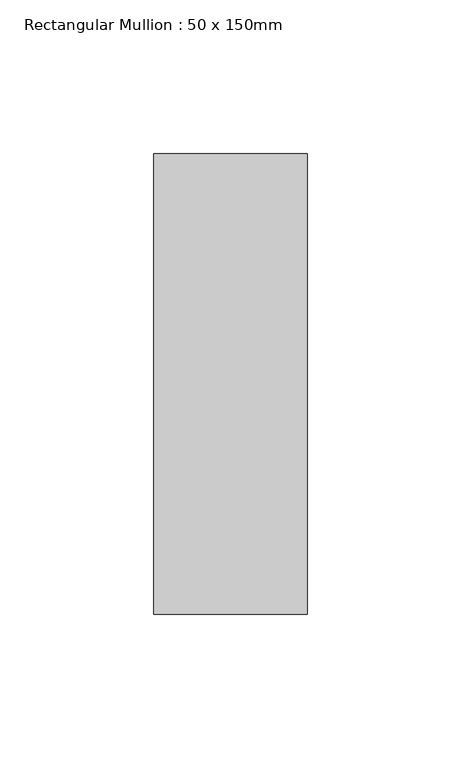
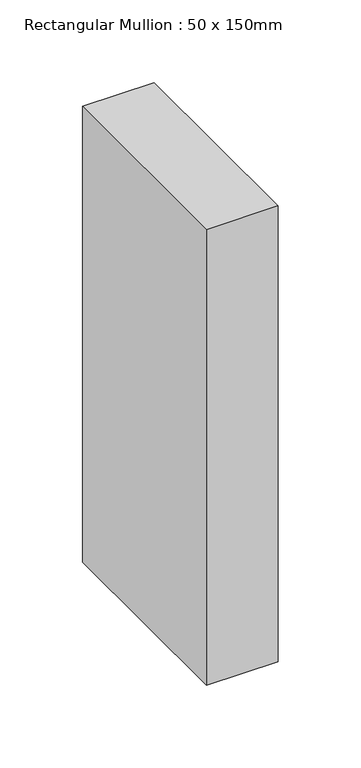
"""IFC4 building model written with IfcOpenShell, lengths in millimetres: member geometry, Rectangular Mullion : 50 x 150mm."""

from ifc_helpers import new_model, si_unit, frame, origin, place, context, project, spatial, polyline, outline, extrude, source, transform, mapped, element, save


def rectangular_mullion_50_x_150mm_99277d0a(model_context):
    return source(origin(), model_context, "Body", "SweptSolid", [
        extrude(outline(polyline([(0.0, 75.0), (0.0, -75.0), (-50.0, -75.0), (-50.0, 75.0), (0.0, 75.0)])), frame((0.0, 0.0, -336.2173886), z_axis=(0.0, 0.0, 1.0), x_axis=(1.0, 0.0, 0.0)), (0.0, 0.0, 1.0), 336.2173886),
    ])


if __name__ == "__main__":
    model = new_model("IFC4")
    model_context = context("Model", 3, world=origin())
    ifc_project = project(units=[si_unit("LENGTHUNIT", "METRE", prefix="MILLI")], contexts=[model_context])
    site = spatial("IfcSite", under=ifc_project)
    building = spatial("IfcBuilding", under=site)
    placement = place(None, origin())
    rectangular_mullion_50_x_150mm_shape = rectangular_mullion_50_x_150mm_99277d0a(model_context)
    element("IfcMember", 1, ObjectType="Rectangular Mullion : 50 x 150mm", at=placement, inside=building, context=model_context, shape_type="MappedRepresentation", body=[
        mapped(rectangular_mullion_50_x_150mm_shape, transform((0.0, 0.0, 0.0), x_axis=(1.0, 0.0, 0.0), y_axis=(0.0, 1.0, 0.0), z_axis=(0.0, 0.0, 1.0))),
    ])
    save(model, "model.ifc")
